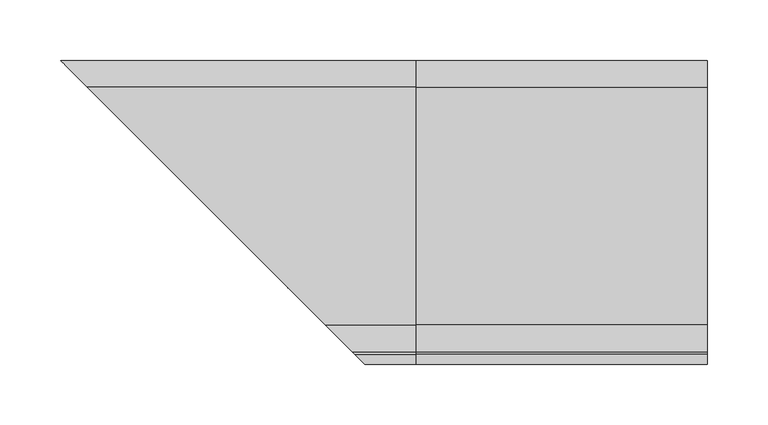
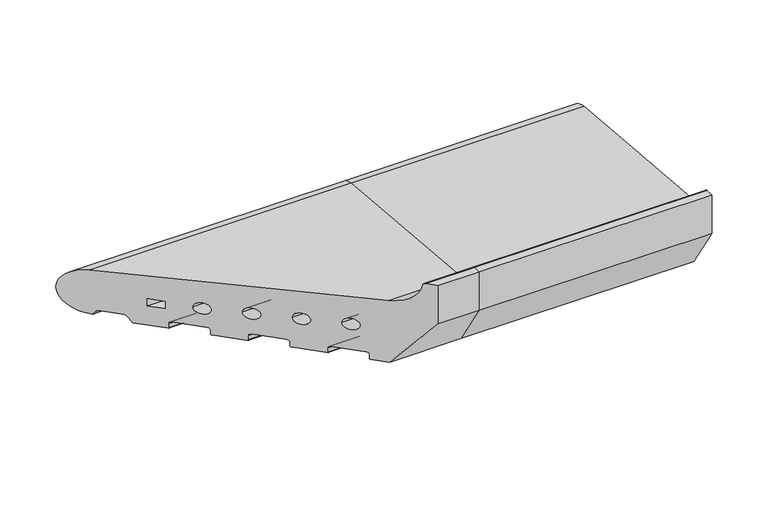
"""IFC4 building model written with IfcOpenShell, lengths in millimetres: proxy geometry."""

from ifc_helpers import new_model, si_unit, point, frame, frame_2d, origin, place, context, project, spatial, polyline, circle_curve, ellipse_curve, trimmed, segment, composite_curve, outline, extrude, source, transform, mapped, element, save
from ifc_brep_helpers import plane_surface, cylinder_surface, revolved_surface, advanced_brep


def generic_models_d66e9d5d(model_context):
    return source(origin(), model_context, "Body", "SolidModel", [
        advanced_brep(
        [(0.0, 28.0858073, 50.4091909), (0.0, -167.5409218, 67.4754175), (0.0, -189.9303588, 90.1294924), (0.0, -191.9246962, 91.9790981), (0.0, -200.0, 91.9790981), (0.0, -200.0, 50.0), (0.0, -168.0, 0.0), (0.0, -156.0, 0.0), (0.0, -155.0, 1.0), (0.0, -155.0, 5.5), (0.0, -153.0, 7.5), (0.0, -130.0, 7.5), (0.0, -128.0, 5.5), (0.0, -128.0, 1.0), (0.0, -127.0, 0.0), (0.0, -104.0, 0.0), (0.0, -103.0, 1.0), (0.0, -103.0, 5.5), (0.0, -101.0, 7.5), (0.0, -78.0, 7.5), (0.0, -76.0, 5.5), (0.0, -76.0, 1.0), (0.0, -75.0, 0.0), (0.0, -52.0, 0.0), (0.0, -51.0, 1.0), (0.0, -51.0, 5.5), (0.0, -49.0, 7.5), (0.0, -26.0, 7.5), (0.0, -24.0, 5.5), (0.0, -24.0, 1.0), (0.0, -23.0, 0.0), (0.0, -0.5773503, 0.0), (0.0, 0.2886751, 0.5), (0.0, 3.7527767, 6.5), (0.0, 5.4848276, 7.5), (0.0, 21.9585481, 7.5), (0.0, 23.6905989, 6.5), (0.0, 25.7072001, 3.0071443), (0.0, 26.5981483, 2.5074549), (0.0, -21.5, 20.9289), (0.0, -21.5, 28.9289), (0.0, -9.5, 28.9289), (0.0, -9.5, 20.9289), (0.0, -39.5, 27.333), (0.0, -51.5, 27.333), (0.0, -72.0, 30.0), (0.0, -84.0, 30.0), (0.0, -104.5, 32.667), (0.0, -116.5, 32.667), (0.0, -137.0, 35.334), (0.0, -149.0, 35.334), (-270.0858073, 28.0858073, 50.4091909), (-74.4590782, -167.5409218, 67.4754175), (-52.0696412, -189.9303588, 90.1294924), (-50.0753038, -191.9246962, 91.9790981), (-42.0, -200.0, 91.9790981), (-42.0, -200.0, 50.0), (-74.0, -168.0, 0.0), (-86.0, -156.0, 0.0), (-87.0, -155.0, 1.0), (-87.0, -155.0, 5.5), (-89.0, -153.0, 7.5), (-112.0, -130.0, 7.5), (-114.0, -128.0, 5.5), (-114.0, -128.0, 1.0), (-115.0, -127.0, 0.0), (-138.0, -104.0, 0.0), (-139.0, -103.0, 1.0), (-139.0, -103.0, 5.5), (-141.0, -101.0, 7.5), (-164.0, -78.0, 7.5), (-166.0, -76.0, 5.5), (-166.0, -76.0, 1.0), (-167.0, -75.0, 0.0), (-190.0, -52.0, 0.0), (-191.0, -51.0, 1.0), (-191.0, -51.0, 5.5), (-193.0, -49.0, 7.5), (-216.0, -26.0, 7.5), (-218.0, -24.0, 5.5), (-218.0, -24.0, 1.0), (-219.0, -23.0, 0.0), (-241.4226497, -0.5773503, 0.0), (-242.2886751, 0.2886751, 0.5), (-245.7527767, 3.7527767, 6.5), (-247.4848276, 5.4848276, 7.5), (-263.9585481, 21.9585481, 7.5), (-265.6905989, 23.6905989, 6.5), (-267.7072001, 25.7072001, 3.0071443), (-268.5981483, 26.5981483, 2.5074549), (-292.0, 50.0, 26.5), (-220.5, -21.5, 20.9289), (-220.5, -21.5, 28.9289), (-232.5, -9.5, 28.9289), (-232.5, -9.5, 20.9289), (-202.5, -39.5, 27.333), (-190.5, -51.5, 27.333), (-170.0, -72.0, 30.0), (-158.0, -84.0, 30.0), (-137.5, -104.5, 32.667), (-125.5, -116.5, 32.667), (-105.0, -137.0, 35.334), (-93.0, -149.0, 35.334)],
        [
            (0, 1),
            (1, 2, circle_curve(frame((0.0, -165.4032519, 91.9790985), z_axis=(-1.0, 0.0, 0.0), x_axis=(0.0, -0.08690863944627705, -0.9962162859487879)), 24.5967481)),
            (2, 3, circle_curve(frame((0.0, -191.9246962, 89.9790981), z_axis=(1.0, 0.0, 0.0), x_axis=(0.0, 0.9971686839008461, 0.07519717978391492)), 2.0)),
            (3, 4),
            (4, 5),
            (5, 6),
            (6, 7),
            (7, 8, circle_curve(frame((0.0, -156.0, 1.0), z_axis=(1.0, 0.0, 0.0), x_axis=(0.0, 1.0, 0.0)), 1.0)),
            (8, 9),
            (9, 10, circle_curve(frame((0.0, -153.0, 5.5), z_axis=(-1.0, 0.0, 0.0), x_axis=(0.0, -1.0, 0.0)), 2.0)),
            (10, 11),
            (11, 12, circle_curve(frame((0.0, -130.0, 5.5), z_axis=(-1.0, 0.0, 0.0), x_axis=(0.0, 0.0, 1.0)), 2.0)),
            (12, 13),
            (13, 14, circle_curve(frame((0.0, -127.0, 1.0), z_axis=(1.0, 0.0, 0.0), x_axis=(0.0, -1.0, 0.0)), 1.0)),
            (14, 15),
            (15, 16, circle_curve(frame((0.0, -104.0, 1.0), z_axis=(1.0, 0.0, 0.0), x_axis=(0.0, 0.0, -1.0)), 1.0)),
            (16, 17),
            (17, 18, circle_curve(frame((0.0, -101.0, 5.5), z_axis=(-1.0, 0.0, 0.0), x_axis=(0.0, -1.0, 0.0)), 2.0)),
            (18, 19),
            (19, 20, circle_curve(frame((0.0, -78.0, 5.5), z_axis=(-1.0, 0.0, 0.0), x_axis=(0.0, 0.0, 1.0)), 2.0)),
            (20, 21),
            (21, 22, circle_curve(frame((0.0, -75.0, 1.0), z_axis=(1.0, 0.0, 0.0), x_axis=(0.0, -1.0, 0.0)), 1.0)),
            (22, 23),
            (23, 24, circle_curve(frame((0.0, -52.0, 1.0), z_axis=(1.0, 0.0, 0.0), x_axis=(0.0, 0.0, -1.0)), 1.0)),
            (24, 25),
            (25, 26, circle_curve(frame((0.0, -49.0, 5.5), z_axis=(-1.0, 0.0, 0.0), x_axis=(0.0, -1.0, 0.0)), 2.0)),
            (26, 27),
            (27, 28, circle_curve(frame((0.0, -26.0, 5.5), z_axis=(-1.0, 0.0, 0.0), x_axis=(0.0, 0.0, 1.0)), 2.0)),
            (28, 29),
            (29, 30, circle_curve(frame((0.0, -23.0, 1.0), z_axis=(1.0, 0.0, 0.0), x_axis=(0.0, -1.0, 0.0)), 1.0)),
            (30, 31),
            (31, 32, circle_curve(frame((0.0, -0.5773503, 1.0), z_axis=(1.0, 0.0, 0.0), x_axis=(0.0, 0.0, -1.0)), 1.0)),
            (32, 33),
            (33, 34, circle_curve(frame((0.0, 5.4848276, 5.5), z_axis=(-1.0, 0.0, 0.0), x_axis=(0.0, -0.8660254037844424, 0.4999999999999936)), 2.0)),
            (34, 35),
            (35, 36, circle_curve(frame((0.0, 21.9585481, 5.5), z_axis=(-1.0, 0.0, 0.0), x_axis=(0.0, 0.0, 1.0)), 2.0)),
            (36, 37),
            (37, 38, circle_curve(frame((0.0, 26.5732255, 3.5071443), z_axis=(1.0, 0.0, 0.0), x_axis=(0.0, -0.8660254037844268, -0.5000000000000207)), 1.0)),
            (38, 0, circle_curve(frame((0.0, 26.0, 26.5), z_axis=(1.0, 0.0, 0.0), x_axis=(0.0, 0.02492284768405477, -0.9996893775885175)), 24.0)),
            (39, 40),
            (40, 41),
            (41, 42),
            (42, 39),
            (43, 44, circle_curve(frame((0.0, -45.5, 27.333), z_axis=(-1.0, 0.0, 0.0), x_axis=(0.0, -1.0, 0.0)), 6.0)),
            (44, 43, circle_curve(frame((0.0, -45.5, 27.333), z_axis=(-1.0, 0.0, 0.0), x_axis=(0.0, -1.0, 0.0)), 6.0)),
            (45, 46, circle_curve(frame((0.0, -78.0, 30.0), z_axis=(-1.0, 0.0, 0.0), x_axis=(0.0, -1.0, 0.0)), 6.0)),
            (46, 45, circle_curve(frame((0.0, -78.0, 30.0), z_axis=(-1.0, 0.0, 0.0), x_axis=(0.0, -1.0, 0.0)), 6.0)),
            (47, 48, circle_curve(frame((0.0, -110.5, 32.667), z_axis=(-1.0, 0.0, 0.0), x_axis=(0.0, -1.0, 0.0)), 6.0)),
            (48, 47, circle_curve(frame((0.0, -110.5, 32.667), z_axis=(-1.0, 0.0, 0.0), x_axis=(0.0, -1.0, 0.0)), 6.0)),
            (49, 50, circle_curve(frame((0.0, -143.0, 35.334), z_axis=(-1.0, 0.0, 0.0), x_axis=(0.0, -1.0, 0.0)), 6.0)),
            (50, 49, circle_curve(frame((0.0, -143.0, 35.334), z_axis=(-1.0, 0.0, 0.0), x_axis=(0.0, -1.0, 0.0)), 6.0)),
            (0, 51),
            (51, 52),
            (52, 1),
            (52, 53, ellipse_curve(frame((-76.5967481, -165.4032519, 91.9790985), z_axis=(-0.7071067811865481, -0.707106781186547, 0.0), x_axis=(0.7071067811865468, -0.7071067811865481, 0.0)), 34.7850548, 24.5967481)),
            (53, 2),
            (53, 54, ellipse_curve(frame((-50.0753038, -191.9246962, 89.9790981), z_axis=(0.7071067811865481, 0.707106781186547, 0.0), x_axis=(-0.7071067811865468, 0.7071067811865481, 0.0)), 2.8284271, 2.0)),
            (54, 3),
            (54, 55),
            (55, 4),
            (5, 56),
            (56, 57),
            (57, 6),
            (57, 58),
            (58, 7),
            (58, 59, ellipse_curve(frame((-86.0, -156.0, 1.0), z_axis=(0.7071067811865481, 0.707106781186547, 0.0), x_axis=(-0.7071067811865468, 0.7071067811865481, 0.0)), 1.4142136, 1.0)),
            (59, 8),
            (59, 60),
            (60, 9),
            (60, 61, ellipse_curve(frame((-89.0, -153.0, 5.5), z_axis=(-0.7071067811865481, -0.707106781186547, 0.0), x_axis=(0.7071067811865468, -0.7071067811865481, 0.0)), 2.8284271, 2.0)),
            (61, 10),
            (61, 62),
            (62, 11),
            (62, 63, ellipse_curve(frame((-112.0, -130.0, 5.5), z_axis=(-0.7071067811865481, -0.707106781186547, 0.0), x_axis=(0.7071067811865468, -0.7071067811865481, 0.0)), 2.8284271, 2.0)),
            (63, 12),
            (63, 64),
            (64, 13),
            (64, 65, ellipse_curve(frame((-115.0, -127.0, 1.0), z_axis=(0.7071067811865481, 0.707106781186547, 0.0), x_axis=(-0.7071067811865468, 0.7071067811865481, 0.0)), 1.4142136, 1.0)),
            (65, 14),
            (65, 66),
            (66, 15),
            (66, 67, ellipse_curve(frame((-138.0, -104.0, 1.0), z_axis=(0.7071067811865481, 0.707106781186547, 0.0), x_axis=(-0.7071067811865468, 0.7071067811865481, 0.0)), 1.4142136, 1.0)),
            (67, 16),
            (67, 68),
            (68, 17),
            (68, 69, ellipse_curve(frame((-141.0, -101.0, 5.5), z_axis=(-0.7071067811865481, -0.707106781186547, 0.0), x_axis=(0.7071067811865468, -0.7071067811865481, 0.0)), 2.8284271, 2.0)),
            (69, 18),
            (69, 70),
            (70, 19),
            (70, 71, ellipse_curve(frame((-164.0, -78.0, 5.5), z_axis=(-0.7071067811865481, -0.707106781186547, 0.0), x_axis=(0.7071067811865468, -0.7071067811865481, 0.0)), 2.8284271, 2.0)),
            (71, 20),
            (71, 72),
            (72, 21),
            (72, 73, ellipse_curve(frame((-167.0, -75.0, 1.0), z_axis=(0.7071067811865481, 0.707106781186547, 0.0), x_axis=(-0.7071067811865468, 0.7071067811865481, 0.0)), 1.4142136, 1.0)),
            (73, 22),
            (73, 74),
            (74, 23),
            (74, 75, ellipse_curve(frame((-190.0, -52.0, 1.0), z_axis=(0.7071067811865481, 0.707106781186547, 0.0), x_axis=(-0.7071067811865468, 0.7071067811865481, 0.0)), 1.4142136, 1.0)),
            (75, 24),
            (75, 76),
            (76, 25),
            (76, 77, ellipse_curve(frame((-193.0, -49.0, 5.5), z_axis=(-0.7071067811865481, -0.707106781186547, 0.0), x_axis=(0.7071067811865468, -0.7071067811865481, 0.0)), 2.8284271, 2.0)),
            (77, 26),
            (77, 78),
            (78, 27),
            (78, 79, ellipse_curve(frame((-216.0, -26.0, 5.5), z_axis=(-0.7071067811865481, -0.707106781186547, 0.0), x_axis=(0.7071067811865468, -0.7071067811865481, 0.0)), 2.8284271, 2.0)),
            (79, 28),
            (79, 80),
            (80, 29),
            (80, 81, ellipse_curve(frame((-219.0, -23.0, 1.0), z_axis=(0.7071067811865481, 0.707106781186547, 0.0), x_axis=(-0.7071067811865468, 0.7071067811865481, 0.0)), 1.4142136, 1.0)),
            (81, 30),
            (81, 82),
            (82, 31),
            (82, 83, ellipse_curve(frame((-241.4226497, -0.5773503, 1.0), z_axis=(0.7071067811865481, 0.707106781186547, 0.0), x_axis=(-0.7071067811865468, 0.7071067811865481, 0.0)), 1.4142136, 1.0)),
            (83, 32),
            (83, 84),
            (84, 33),
            (84, 85, ellipse_curve(frame((-247.4848276, 5.4848276, 5.5), z_axis=(-0.7071067811865481, -0.707106781186547, 0.0), x_axis=(0.7071067811865468, -0.7071067811865481, 0.0)), 2.8284271, 2.0)),
            (85, 34),
            (85, 86),
            (86, 35),
            (86, 87, ellipse_curve(frame((-263.9585481, 21.9585481, 5.5), z_axis=(-0.7071067811865481, -0.707106781186547, 0.0), x_axis=(0.7071067811865468, -0.7071067811865481, 0.0)), 2.8284271, 2.0)),
            (87, 36),
            (87, 88),
            (88, 37),
            (88, 89, ellipse_curve(frame((-268.5732255, 26.5732255, 3.5071443), z_axis=(0.7071067811865481, 0.707106781186547, 0.0), x_axis=(-0.7071067811865468, 0.7071067811865481, 0.0)), 1.4142136, 1.0)),
            (89, 38),
            (89, 90, ellipse_curve(frame((-268.0, 26.0, 26.5), z_axis=(0.7071067811865481, 0.707106781186547, 0.0), x_axis=(-0.7071067811865468, 0.7071067811865481, 0.0)), 33.9411255, 24.0)),
            (90, 51, ellipse_curve(frame((-268.0, 26.0, 26.5), z_axis=(0.7071067811865481, 0.707106781186547, 0.0), x_axis=(-0.7071067811865468, 0.7071067811865481, 0.0)), 33.9411255, 24.0)),
            (39, 91),
            (91, 92),
            (92, 40),
            (92, 93),
            (93, 41),
            (93, 94),
            (94, 42),
            (94, 91),
            (43, 95),
            (95, 96, ellipse_curve(frame((-196.5, -45.5, 27.333), z_axis=(-0.7071067811865481, -0.707106781186547, 0.0), x_axis=(0.7071067811865468, -0.7071067811865481, 0.0)), 8.4852814, 6.0)),
            (96, 44),
            (96, 95, ellipse_curve(frame((-196.5, -45.5, 27.333), z_axis=(-0.7071067811865481, -0.707106781186547, 0.0), x_axis=(0.7071067811865468, -0.7071067811865481, 0.0)), 8.4852814, 6.0)),
            (45, 97),
            (97, 98, ellipse_curve(frame((-164.0, -78.0, 30.0), z_axis=(-0.7071067811865481, -0.707106781186547, 0.0), x_axis=(0.7071067811865468, -0.7071067811865481, 0.0)), 8.4852814, 6.0)),
            (98, 46),
            (98, 97, ellipse_curve(frame((-164.0, -78.0, 30.0), z_axis=(-0.7071067811865481, -0.707106781186547, 0.0), x_axis=(0.7071067811865468, -0.7071067811865481, 0.0)), 8.4852814, 6.0)),
            (47, 99),
            (99, 100, ellipse_curve(frame((-131.5, -110.5, 32.667), z_axis=(-0.7071067811865481, -0.707106781186547, 0.0), x_axis=(0.7071067811865468, -0.7071067811865481, 0.0)), 8.4852814, 6.0)),
            (100, 48),
            (100, 99, ellipse_curve(frame((-131.5, -110.5, 32.667), z_axis=(-0.7071067811865481, -0.707106781186547, 0.0), x_axis=(0.7071067811865468, -0.7071067811865481, 0.0)), 8.4852814, 6.0)),
            (49, 101),
            (101, 102, ellipse_curve(frame((-99.0, -143.0, 35.334), z_axis=(-0.7071067811865481, -0.707106781186547, 0.0), x_axis=(0.7071067811865468, -0.7071067811865481, 0.0)), 8.4852814, 6.0)),
            (102, 50),
            (102, 101, ellipse_curve(frame((-99.0, -143.0, 35.334), z_axis=(-0.7071067811865481, -0.707106781186547, 0.0), x_axis=(0.7071067811865468, -0.7071067811865481, 0.0)), 8.4852814, 6.0)),
            (56, 55),
        ],
        [
            plane_surface(frame((0.0, 0.0, 0.0), z_axis=(1.0, 0.0, 0.0), x_axis=(0.0, 0.0, 1.0))),
            plane_surface(frame((-292.0, -167.5409218, 67.4754175), z_axis=(0.0, 0.08690863944627716, 0.9962162859487879), x_axis=(1.0, 0.0, 0.0))),
            revolved_surface(polyline([(0.0, -167.5409218121738, 67.4754174614001), (-101.19349623302566, -167.5409218121738, 67.4754174614001)]), (-292.0, -165.4032519, 91.9790985), (1.0, 0.0, 0.0)),
            cylinder_surface(frame((-292.0, -191.9246962, 89.9790981), z_axis=(-1.0, 0.0, 0.0), x_axis=(0.0, 0.9971686839008461, 0.07519717978391492)), 2.0),
            plane_surface(frame((-292.0, -200.0, 91.9790981), z_axis=(0.0, 0.0, 1.0), x_axis=(1.0, 0.0, 0.0))),
            plane_surface(frame((-292.0, -168.0, 0.0), z_axis=(0.0, -0.8422714006615114, -0.5390536964233673), x_axis=(1.0, 0.0, 0.0))),
            plane_surface(frame((-292.0, -156.0, 0.0), z_axis=(0.0, 0.0, -1.0), x_axis=(1.0, 0.0, 0.0))),
            cylinder_surface(frame((-292.0, -156.0, 1.0), z_axis=(-1.0, 0.0, 0.0), x_axis=(0.0, 1.0, 0.0)), 1.0),
            plane_surface(frame((-292.0, -155.0, 5.5), z_axis=(0.0, 1.0, 0.0), x_axis=(1.0, 0.0, 0.0))),
            revolved_surface(polyline([(0.0, -155.0, 5.5), (-90.9999999825018, -155.0, 5.5)]), (-292.0, -153.0, 5.5), (1.0, 0.0, 0.0)),
            plane_surface(frame((-292.0, -130.0, 7.5), z_axis=(0.0, 0.0, -1.0), x_axis=(1.0, 0.0, 0.0))),
            revolved_surface(polyline([(0.0, -130.0, 7.5), (-114.0, -130.0, 7.5)]), (-292.0, -130.0, 5.5), (1.0, 0.0, 0.0)),
            plane_surface(frame((-292.0, -128.0, 1.0), z_axis=(0.0, -1.0, 0.0), x_axis=(1.0, 0.0, 0.0))),
            cylinder_surface(frame((-292.0, -127.0, 1.0), z_axis=(-1.0, 0.0, 0.0), x_axis=(0.0, -1.0, 0.0)), 1.0),
            plane_surface(frame((-292.0, -104.0, 0.0), z_axis=(0.0, 0.0, -1.0), x_axis=(1.0, 0.0, 0.0))),
            cylinder_surface(frame((-292.0, -104.0, 1.0), z_axis=(-1.0, 0.0, 0.0), x_axis=(0.0, 0.0, -1.0)), 1.0),
            plane_surface(frame((-292.0, -103.0, 5.5), z_axis=(0.0, 1.0, 0.0), x_axis=(1.0, 0.0, 0.0))),
            revolved_surface(polyline([(0.0, -103.0, 5.5), (-142.9999999825018, -103.0, 5.5)]), (-292.0, -101.0, 5.5), (1.0, 0.0, 0.0)),
            plane_surface(frame((-292.0, -78.0, 7.5), z_axis=(0.0, 0.0, -1.0), x_axis=(1.0, 0.0, 0.0))),
            revolved_surface(polyline([(0.0, -78.0, 7.5), (-166.0, -78.0, 7.5)]), (-292.0, -78.0, 5.5), (1.0, 0.0, 0.0)),
            plane_surface(frame((-292.0, -76.0, 1.0), z_axis=(0.0, -1.0, 0.0), x_axis=(1.0, 0.0, 0.0))),
            cylinder_surface(frame((-292.0, -75.0, 1.0), z_axis=(-1.0, 0.0, 0.0), x_axis=(0.0, -1.0, 0.0)), 1.0),
            plane_surface(frame((-292.0, -52.0, 0.0), z_axis=(0.0, 0.0, -1.0), x_axis=(1.0, 0.0, 0.0))),
            cylinder_surface(frame((-292.0, -52.0, 1.0), z_axis=(-1.0, 0.0, 0.0), x_axis=(0.0, 0.0, -1.0)), 1.0),
            plane_surface(frame((-292.0, -51.0, 5.5), z_axis=(0.0, 1.0, 0.0), x_axis=(1.0, 0.0, 0.0))),
            revolved_surface(polyline([(0.0, -51.0, 5.5), (-194.9999999825018, -51.0, 5.5)]), (-292.0, -49.0, 5.5), (1.0, 0.0, 0.0)),
            plane_surface(frame((-292.0, -26.0, 7.5), z_axis=(0.0, 0.0, -1.0), x_axis=(1.0, 0.0, 0.0))),
            revolved_surface(polyline([(0.0, -26.0, 7.5), (-218.0, -26.0, 7.5)]), (-292.0, -26.0, 5.5), (1.0, 0.0, 0.0)),
            plane_surface(frame((-292.0, -24.0, 1.0), z_axis=(0.0, -1.0, 0.0), x_axis=(1.0, 0.0, 0.0))),
            cylinder_surface(frame((-292.0, -23.0, 1.0), z_axis=(-1.0, 0.0, 0.0), x_axis=(0.0, -1.0, 0.0)), 1.0),
            plane_surface(frame((-292.0, -0.5773503, 0.0), z_axis=(0.0, 0.0, -1.0), x_axis=(1.0, 0.0, 0.0))),
            cylinder_surface(frame((-292.0, -0.5773503, 1.0), z_axis=(-1.0, 0.0, 0.0), x_axis=(0.0, 0.0, -1.0)), 1.0),
            plane_surface(frame((-292.0, 3.7527767, 6.5), z_axis=(0.0, 0.8660254037844367, -0.5000000000000034), x_axis=(1.0, 0.0, 0.0))),
            revolved_surface(polyline([(0.0, 3.7527767924311153, 6.499999999999988), (-249.4848275825018, 3.7527767924311153, 6.499999999999988)]), (-292.0, 5.4848276, 5.5), (1.0, 0.0, 0.0)),
            plane_surface(frame((-292.0, 21.9585481, 7.5), z_axis=(0.0, 0.0, -1.0), x_axis=(1.0, 0.0, 0.0))),
            revolved_surface(polyline([(0.0, 21.9585481, 7.5), (-265.95854808250175, 21.9585481, 7.5)]), (-292.0, 21.9585481, 5.5), (1.0, 0.0, 0.0)),
            plane_surface(frame((-292.0, 25.7072001, 3.0071443), z_axis=(0.0, -0.8660254037844396, -0.4999999999999985), x_axis=(1.0, 0.0, 0.0))),
            cylinder_surface(frame((-292.0, 26.5732255, 3.5071443), z_axis=(-1.0000000000000002, 0.0, 0.0), x_axis=(0.0, -0.8660254037844268, -0.5000000000000207)), 1.0),
            cylinder_surface(frame((-292.0, 26.0, 26.5), z_axis=(-1.0000000000000002, 0.0, 0.0), x_axis=(0.0, 0.02492284768405477, -0.9996893775885175)), 24.0),
            plane_surface(frame((-292.0, -21.5, 28.9289), z_axis=(0.0, 1.0, 0.0), x_axis=(1.0, 0.0, 0.0))),
            plane_surface(frame((-292.0, -9.5, 28.9289), z_axis=(0.0, 0.0, -1.0), x_axis=(1.0, 0.0, 0.0))),
            plane_surface(frame((-292.0, -9.5, 20.9289), z_axis=(0.0, -1.0, 0.0), x_axis=(1.0, 0.0, 0.0))),
            plane_surface(frame((-292.0, -21.5, 20.9289), z_axis=(0.0, 0.0, 1.0), x_axis=(1.0, 0.0, 0.0))),
            revolved_surface(polyline([(0.0, -51.5, 27.333), (-202.50000001821607, -51.5, 27.333)]), (-292.0, -45.5, 27.333), (1.0, 0.0, 0.0)),
            revolved_surface(polyline([(0.0, -84.0, 30.0), (-170.00000001821607, -84.0, 30.0)]), (-292.0, -78.0, 30.0), (1.0, 0.0, 0.0)),
            revolved_surface(polyline([(0.0, -116.5, 32.667), (-137.50000001821607, -116.5, 32.667)]), (-292.0, -110.5, 32.667), (1.0, 0.0, 0.0)),
            revolved_surface(polyline([(0.0, -149.0, 35.334), (-105.00000001821607, -149.0, 35.334)]), (-292.0, -143.0, 35.334), (1.0, 0.0, 0.0)),
            plane_surface(frame((-207.0, -35.0, 0.0), z_axis=(-0.7071067811865481, -0.707106781186547, 0.0), x_axis=(0.0, 0.0, 1.0))),
            plane_surface(frame((-292.0, -200.0, 50.0), z_axis=(0.0, -1.0, 0.0), x_axis=(1.0, 0.0, 0.0))),
        ],
        [
            (0, [[1, 2, 3, 4, 5, 6, 7, 8, 9, 10, 11, 12, 13, 14, 15, 16, 17, 18, 19, 20, 21, 22, 23, 24, 25, 26, 27, 28, 29, 30, 31, 32, 33, 34, 35, 36, 37, 38, 39], [40, 41, 42, 43], [44, 45], [46, 47], [48, 49], [50, 51]]),
            (1, [[-1, 52, 53, 54]]),
            (2, [[-2, -54, 55, 56]]),
            (3, [[-3, -56, 57, 58]]),
            (4, [[-4, -58, 59, 60]]),
            (5, [[-6, 61, 62, 63]]),
            (6, [[-7, -63, 64, 65]]),
            (7, [[-8, -65, 66, 67]]),
            (8, [[-9, -67, 68, 69]]),
            (9, [[-10, -69, 70, 71]]),
            (10, [[-11, -71, 72, 73]]),
            (11, [[-12, -73, 74, 75]]),
            (12, [[-13, -75, 76, 77]]),
            (13, [[-14, -77, 78, 79]]),
            (14, [[-15, -79, 80, 81]]),
            (15, [[-16, -81, 82, 83]]),
            (16, [[-17, -83, 84, 85]]),
            (17, [[-18, -85, 86, 87]]),
            (18, [[-19, -87, 88, 89]]),
            (19, [[-20, -89, 90, 91]]),
            (20, [[-21, -91, 92, 93]]),
            (21, [[-22, -93, 94, 95]]),
            (22, [[-23, -95, 96, 97]]),
            (23, [[-24, -97, 98, 99]]),
            (24, [[-25, -99, 100, 101]]),
            (25, [[-26, -101, 102, 103]]),
            (26, [[-27, -103, 104, 105]]),
            (27, [[-28, -105, 106, 107]]),
            (28, [[-29, -107, 108, 109]]),
            (29, [[-30, -109, 110, 111]]),
            (30, [[-31, -111, 112, 113]]),
            (31, [[-32, -113, 114, 115]]),
            (32, [[-33, -115, 116, 117]]),
            (33, [[-34, -117, 118, 119]]),
            (34, [[-35, -119, 120, 121]]),
            (35, [[-36, -121, 122, 123]]),
            (36, [[-37, -123, 124, 125]]),
            (37, [[-38, -125, 126, 127]]),
            (38, [[-39, -127, 128, 129, -52]]),
            (39, [[-40, 130, 131, 132]]),
            (40, [[-41, -132, 133, 134]]),
            (41, [[-42, -134, 135, 136]]),
            (42, [[-43, -136, 137, -130]]),
            (43, [[-44, 138, 139, 140]]),
            (43, [[-45, -140, 141, -138]]),
            (44, [[-46, 142, 143, 144]]),
            (44, [[-47, -144, 145, -142]]),
            (45, [[-48, 146, 147, 148]]),
            (45, [[-49, -148, 149, -146]]),
            (46, [[-50, 150, 151, 152]]),
            (46, [[-51, -152, 153, -150]]),
            (47, [[-53, -129, -128, -126, -124, -122, -120, -118, -116, -114, -112, -110, -108, -106, -104, -102, -100, -98, -96, -94, -92, -90, -88, -86, -84, -82, -80, -78, -76, -74, -72, -70, -68, -66, -64, -62, 154, -59, -57, -55], [-131, -137, -135, -133], [-139, -141], [-143, -145], [-147, -149], [-151, -153]]),
            (48, [[-5, -60, -154, -61]]),
        ],
    ),
        extrude(outline(composite_curve([segment(trimmed(circle_curve(frame_2d((26.0, 26.5)), 24.0), [point((28.0858073, 50.4091909))], [point((26.5981483, 2.5074549))], False, "CARTESIAN"), True, "CONTINUOUS"), segment(trimmed(circle_curve(frame_2d((26.5732255, 3.5071443)), 1.0), [point((26.5981483, 2.5074549))], [point((25.7072001, 3.0071443))], False, "CARTESIAN"), True, "CONTINUOUS"), segment(polyline([(25.7072001, 3.0071443), (23.6905989, 6.5)]), True, "CONTINUOUS"), segment(trimmed(circle_curve(frame_2d((21.9585481, 5.5)), 2.0), [point((23.6905989, 6.5))], [point((21.9585481, 7.5))], True, "CARTESIAN"), True, "CONTINUOUS"), segment(polyline([(21.9585481, 7.5), (5.4848276, 7.5)]), True, "CONTINUOUS"), segment(trimmed(circle_curve(frame_2d((5.4848276, 5.5)), 2.0), [point((5.4848276, 7.5))], [point((3.7527767, 6.5))], True, "CARTESIAN"), True, "CONTINUOUS"), segment(polyline([(3.7527767, 6.5), (0.2886751, 0.5)]), True, "CONTINUOUS"), segment(trimmed(circle_curve(frame_2d((-0.5773503, 1.0)), 1.0), [point((0.2886751, 0.5))], [point((-0.5773503, 0.0))], False, "CARTESIAN"), True, "CONTINUOUS"), segment(polyline([(-0.5773503, 0.0), (-23.0, 0.0)]), True, "CONTINUOUS"), segment(trimmed(circle_curve(frame_2d((-23.0, 1.0)), 1.0), [point((-23.0, 0.0))], [point((-24.0, 1.0))], False, "CARTESIAN"), True, "CONTINUOUS"), segment(polyline([(-24.0, 1.0), (-24.0, 5.5)]), True, "CONTINUOUS"), segment(trimmed(circle_curve(frame_2d((-26.0, 5.5)), 2.0), [point((-24.0, 5.5))], [point((-26.0, 7.5))], True, "CARTESIAN"), True, "CONTINUOUS"), segment(polyline([(-26.0, 7.5), (-49.0, 7.5)]), True, "CONTINUOUS"), segment(trimmed(circle_curve(frame_2d((-49.0, 5.5)), 2.0), [point((-49.0, 7.5))], [point((-51.0, 5.5))], True, "CARTESIAN"), True, "CONTINUOUS"), segment(polyline([(-51.0, 5.5), (-51.0, 1.0)]), True, "CONTINUOUS"), segment(trimmed(circle_curve(frame_2d((-52.0, 1.0)), 1.0), [point((-51.0, 1.0))], [point((-52.0, 0.0))], False, "CARTESIAN"), True, "CONTINUOUS"), segment(polyline([(-52.0, 0.0), (-75.0, 0.0)]), True, "CONTINUOUS"), segment(trimmed(circle_curve(frame_2d((-75.0, 1.0)), 1.0), [point((-75.0, 0.0))], [point((-76.0, 1.0))], False, "CARTESIAN"), True, "CONTINUOUS"), segment(polyline([(-76.0, 1.0), (-76.0, 5.5)]), True, "CONTINUOUS"), segment(trimmed(circle_curve(frame_2d((-78.0, 5.5)), 2.0), [point((-76.0, 5.5))], [point((-78.0, 7.5))], True, "CARTESIAN"), True, "CONTINUOUS"), segment(polyline([(-78.0, 7.5), (-101.0, 7.5)]), True, "CONTINUOUS"), segment(trimmed(circle_curve(frame_2d((-101.0, 5.5)), 2.0), [point((-101.0, 7.5))], [point((-103.0, 5.5))], True, "CARTESIAN"), True, "CONTINUOUS"), segment(polyline([(-103.0, 5.5), (-103.0, 1.0)]), True, "CONTINUOUS"), segment(trimmed(circle_curve(frame_2d((-104.0, 1.0)), 1.0), [point((-103.0, 1.0))], [point((-104.0, 0.0))], False, "CARTESIAN"), True, "CONTINUOUS"), segment(polyline([(-104.0, 0.0), (-127.0, 0.0)]), True, "CONTINUOUS"), segment(trimmed(circle_curve(frame_2d((-127.0, 1.0)), 1.0), [point((-127.0, 0.0))], [point((-128.0, 1.0))], False, "CARTESIAN"), True, "CONTINUOUS"), segment(polyline([(-128.0, 1.0), (-128.0, 5.5)]), True, "CONTINUOUS"), segment(trimmed(circle_curve(frame_2d((-130.0, 5.5)), 2.0), [point((-128.0, 5.5))], [point((-130.0, 7.5))], True, "CARTESIAN"), True, "CONTINUOUS"), segment(polyline([(-130.0, 7.5), (-153.0, 7.5)]), True, "CONTINUOUS"), segment(trimmed(circle_curve(frame_2d((-153.0, 5.5)), 2.0), [point((-153.0, 7.5))], [point((-155.0, 5.5))], True, "CARTESIAN"), True, "CONTINUOUS"), segment(polyline([(-155.0, 5.5), (-155.0, 1.0)]), True, "CONTINUOUS"), segment(trimmed(circle_curve(frame_2d((-156.0, 1.0)), 1.0), [point((-155.0, 1.0))], [point((-156.0, 0.0))], False, "CARTESIAN"), True, "CONTINUOUS"), segment(polyline([(-156.0, 0.0), (-168.0, 0.0), (-200.0, 50.0), (-200.0, 91.9790981), (-191.9246962, 91.9790981)]), True, "CONTINUOUS"), segment(trimmed(circle_curve(frame_2d((-191.9246962, 89.9790981)), 2.0), [point((-191.9246962, 91.9790981))], [point((-189.9303588, 90.1294924))], False, "CARTESIAN"), True, "CONTINUOUS"), segment(trimmed(circle_curve(frame_2d((-165.4032519, 91.9790985)), 24.5967481), [point((-189.9303588, 90.1294924))], [point((-167.5409218, 67.4754175))], True, "CARTESIAN"), True, "CONTINUOUS"), segment(polyline([(-167.5409218, 67.4754175), (28.0858073, 50.4091909)]), True, "CONTINUOUS")], self_intersect=False), holes=[polyline([(-21.5, 20.9289), (-9.5, 20.9289), (-9.5, 28.9289), (-21.5, 28.9289), (-21.5, 20.9289)]), composite_curve([segment(trimmed(circle_curve(frame_2d((-45.5, 27.333)), 6.0), [point((-51.5, 27.333))], [point((-39.5, 27.333))], True, "CARTESIAN"), True, "CONTINUOUS"), segment(trimmed(circle_curve(frame_2d((-45.5, 27.333)), 6.0), [point((-39.5, 27.333))], [point((-51.5, 27.333))], True, "CARTESIAN"), True, "CONTINUOUS")], self_intersect=False), composite_curve([segment(trimmed(circle_curve(frame_2d((-78.0, 30.0)), 6.0), [point((-84.0, 30.0))], [point((-72.0, 30.0))], True, "CARTESIAN"), True, "CONTINUOUS"), segment(trimmed(circle_curve(frame_2d((-78.0, 30.0)), 6.0), [point((-72.0, 30.0))], [point((-84.0, 30.0))], True, "CARTESIAN"), True, "CONTINUOUS")], self_intersect=False), composite_curve([segment(trimmed(circle_curve(frame_2d((-110.5, 32.667)), 6.0), [point((-116.5, 32.667))], [point((-104.5, 32.667))], True, "CARTESIAN"), True, "CONTINUOUS"), segment(trimmed(circle_curve(frame_2d((-110.5, 32.667)), 6.0), [point((-104.5, 32.667))], [point((-116.5, 32.667))], True, "CARTESIAN"), True, "CONTINUOUS")], self_intersect=False), composite_curve([segment(trimmed(circle_curve(frame_2d((-143.0, 35.334)), 6.0), [point((-149.0, 35.334))], [point((-137.0, 35.334))], True, "CARTESIAN"), True, "CONTINUOUS"), segment(trimmed(circle_curve(frame_2d((-143.0, 35.334)), 6.0), [point((-137.0, 35.334))], [point((-149.0, 35.334))], True, "CARTESIAN"), True, "CONTINUOUS")], self_intersect=False)]), frame((0.0, 0.0, 0.0), z_axis=(1.0, 0.0, 0.0), x_axis=(0.0, 1.0, 0.0)), (0.0, 0.0, 1.0), 240.0),
    ])


if __name__ == "__main__":
    model = new_model("IFC4")
    model_context = context("Model", 3, world=origin())
    ifc_project = project(units=[si_unit("LENGTHUNIT", "METRE", prefix="MILLI")], contexts=[model_context])
    site = spatial("IfcSite", under=ifc_project)
    building = spatial("IfcBuilding", under=site)
    placement = place(None, origin())
    generic_models_shape = generic_models_d66e9d5d(model_context)
    element("IfcBuildingElementProxy", 1, Name="Generic Models", at=placement, inside=building, context=model_context, shape_type="MappedRepresentation", body=[
        mapped(generic_models_shape, transform((0.0, 0.0, 0.0), x_axis=(1.0, 0.0, 0.0), y_axis=(0.0, 1.0, 0.0), z_axis=(0.0, 0.0, 1.0))),
    ])
    save(model, "model.ifc")
